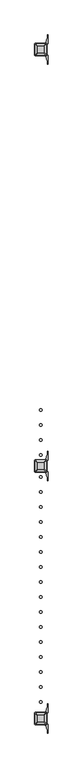
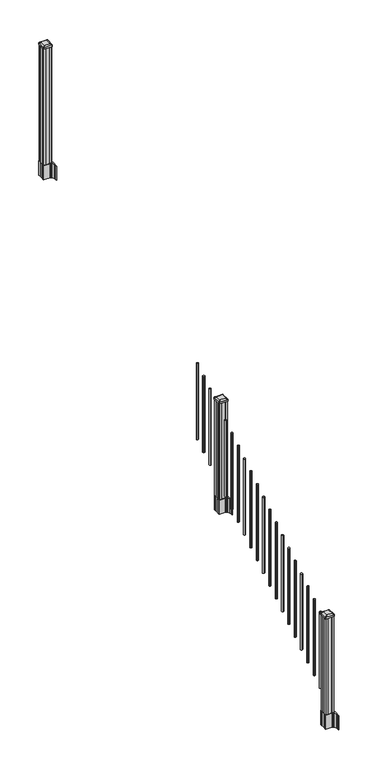
"""IFC4 building model written with IfcOpenShell, lengths in millimetres: railing geometry."""

from ifc_helpers import new_model, si_unit, point, frame, frame_2d, origin, place, context, project, spatial, polyline, circle_curve, trimmed, segment, composite_curve, outline, extrude, source, transform, mapped, element, save
from ifc_brep_helpers import plane_surface, extruded_surface, advanced_brep


def railing_55fab699(model_context):
    return source(origin(), model_context, "Body", "SolidModel", [
        extrude(outline(composite_curve([segment(trimmed(circle_curve(frame_2d((6109.9083284, -20054.6054681)), 9.525), [point((6100.3833284, -20054.6054681))], [point((6109.9083284, -20045.0804681))], False, "CARTESIAN"), True, "CONTINUOUS"), segment(trimmed(circle_curve(frame_2d((6109.9083284, -20054.6054681)), 9.525), [point((6109.9083284, -20045.0804681))], [point((6119.4333284, -20054.6054681))], False, "CARTESIAN"), True, "CONTINUOUS"), segment(trimmed(circle_curve(frame_2d((6109.9083284, -20054.6054681)), 9.525), [point((6119.4333284, -20054.6054681))], [point((6109.9083284, -20064.1304681))], False, "CARTESIAN"), True, "CONTINUOUS"), segment(trimmed(circle_curve(frame_2d((6109.9083284, -20054.6054681)), 9.525), [point((6109.9083284, -20064.1304681))], [point((6100.3833284, -20054.6054681))], False, "CARTESIAN"), True, "CONTINUOUS")], self_intersect=False)), frame((0.0, 0.0, 1695.6046281), z_axis=(0.0, 0.0, 1.0), x_axis=(1.0, 0.0, 0.0)), (0.0, 0.0, 1.0), 812.8041219),
        extrude(outline(composite_curve([segment(trimmed(circle_curve(frame_2d((6109.9083284, -20165.8574681)), 9.525), [point((6100.3833284, -20165.8574681))], [point((6109.9083284, -20156.3324681))], False, "CARTESIAN"), True, "CONTINUOUS"), segment(trimmed(circle_curve(frame_2d((6109.9083284, -20165.8574681)), 9.525), [point((6109.9083284, -20156.3324681))], [point((6119.4333284, -20165.8574681))], False, "CARTESIAN"), True, "CONTINUOUS"), segment(trimmed(circle_curve(frame_2d((6109.9083284, -20165.8574681)), 9.525), [point((6119.4333284, -20165.8574681))], [point((6109.9083284, -20175.3824681))], False, "CARTESIAN"), True, "CONTINUOUS"), segment(trimmed(circle_curve(frame_2d((6109.9083284, -20165.8574681)), 9.525), [point((6109.9083284, -20175.3824681))], [point((6100.3833284, -20165.8574681))], False, "CARTESIAN"), True, "CONTINUOUS")], self_intersect=False)), frame((0.0, 0.0, 1626.0721281), z_axis=(0.0, 0.0, 1.0), x_axis=(1.0, 0.0, 0.0)), (0.0, 0.0, 1.0), 812.8041219),
        extrude(outline(composite_curve([segment(trimmed(circle_curve(frame_2d((6109.9083284, -20277.1094681)), 9.525), [point((6100.3833284, -20277.1094681))], [point((6109.9083284, -20267.5844681))], False, "CARTESIAN"), True, "CONTINUOUS"), segment(trimmed(circle_curve(frame_2d((6109.9083284, -20277.1094681)), 9.525), [point((6109.9083284, -20267.5844681))], [point((6119.4333284, -20277.1094681))], False, "CARTESIAN"), True, "CONTINUOUS"), segment(trimmed(circle_curve(frame_2d((6109.9083284, -20277.1094681)), 9.525), [point((6119.4333284, -20277.1094681))], [point((6109.9083284, -20286.6344681))], False, "CARTESIAN"), True, "CONTINUOUS"), segment(trimmed(circle_curve(frame_2d((6109.9083284, -20277.1094681)), 9.525), [point((6109.9083284, -20286.6344681))], [point((6100.3833284, -20277.1094681))], False, "CARTESIAN"), True, "CONTINUOUS")], self_intersect=False)), frame((0.0, 0.0, 1556.5396281), z_axis=(0.0, 0.0, 1.0), x_axis=(1.0, 0.0, 0.0)), (0.0, 0.0, 1.0), 812.8041219),
        extrude(outline(composite_curve([segment(trimmed(circle_curve(frame_2d((6109.9083284, -20388.3614681)), 9.525), [point((6100.3833284, -20388.3614681))], [point((6109.9083284, -20378.8364681))], False, "CARTESIAN"), True, "CONTINUOUS"), segment(trimmed(circle_curve(frame_2d((6109.9083284, -20388.3614681)), 9.525), [point((6109.9083284, -20378.8364681))], [point((6119.4333284, -20388.3614681))], False, "CARTESIAN"), True, "CONTINUOUS"), segment(trimmed(circle_curve(frame_2d((6109.9083284, -20388.3614681)), 9.525), [point((6119.4333284, -20388.3614681))], [point((6109.9083284, -20397.8864681))], False, "CARTESIAN"), True, "CONTINUOUS"), segment(trimmed(circle_curve(frame_2d((6109.9083284, -20388.3614681)), 9.525), [point((6109.9083284, -20397.8864681))], [point((6100.3833284, -20388.3614681))], False, "CARTESIAN"), True, "CONTINUOUS")], self_intersect=False)), frame((0.0, 0.0, 1487.0071281), z_axis=(0.0, 0.0, 1.0), x_axis=(1.0, 0.0, 0.0)), (0.0, 0.0, 1.0), 812.8041219),
        extrude(outline(composite_curve([segment(polyline([(6067.1728284, -20486.773563), (6067.1728284, -20452.0013732), (6065.5853284, -20451.2393732), (6065.5853284, -20428.4374452), (6068.9583054, -20425.0644681), (6130.4179763, -20425.0644681), (6130.4179763, -20424.1437181), (6135.7355201, -20424.1437181), (6135.7355201, -20422.6894634), (6140.8200498, -20422.6894634), (6140.8200498, -20421.4054396), (6142.4873221, -20421.4054396)]), True, "CONTINUOUS"), segment(trimmed(circle_curve(frame_2d((6142.4873221, -20414.3459797)), 7.0594599), [point((6142.4873221, -20421.4054396))], [point((6149.2545849, -20416.3559864))], True, "CARTESIAN"), True, "CONTINUOUS"), segment(polyline([(6149.2545849, -20416.3559864), (6157.1287792, -20389.8452573)]), True, "CONTINUOUS"), segment(trimmed(circle_curve(frame_2d((6102.3442659, -20373.5732076)), 57.15), [point((6157.1287792, -20389.8452573))], [point((6159.4942659, -20373.5732076))], True, "CARTESIAN"), True, "CONTINUOUS"), segment(polyline([(6159.4942659, -20373.5732076), (6159.4942659, -20361.5644681), (6162.4942659, -20361.5644681), (6162.4942659, -20426.6519681), (6154.2313284, -20437.9902594), (6154.2313284, -20451.2393732), (6152.6438284, -20452.0013732), (6152.6438284, -20486.773563), (6154.2313284, -20487.535563), (6154.2313284, -20500.7846768), (6162.4942659, -20512.1229681), (6162.4942659, -20577.2104681), (6159.4942659, -20577.2104681), (6159.4942659, -20565.2017285)]), True, "CONTINUOUS"), segment(trimmed(circle_curve(frame_2d((6102.3442659, -20565.2017285)), 57.15), [point((6159.4942659, -20565.2017285))], [point((6157.1287792, -20548.9296789))], True, "CARTESIAN"), True, "CONTINUOUS"), segment(polyline([(6157.1287792, -20548.9296789), (6149.2545849, -20522.4189498)]), True, "CONTINUOUS"), segment(trimmed(circle_curve(frame_2d((6142.4873221, -20524.4289565)), 7.0594599), [point((6149.2545849, -20522.4189498))], [point((6142.4873221, -20517.3694966))], True, "CARTESIAN"), True, "CONTINUOUS"), segment(polyline([(6142.4873221, -20517.3694966), (6140.8200498, -20517.3694966), (6140.8200498, -20516.0854728), (6135.7355201, -20516.0854728), (6135.7355201, -20514.6312181), (6130.4179763, -20514.6312181), (6130.4179763, -20513.7104681), (6068.9583054, -20513.7104681), (6065.5853284, -20510.337491), (6065.5853284, -20487.535563), (6067.1728284, -20486.773563)]), True, "CONTINUOUS")], self_intersect=False), holes=[polyline([(6151.1833284, -20429.6999681), (6149.5958284, -20428.1124681), (6112.6715458, -20428.1124681), (6070.2208284, -20428.1124681), (6068.6333284, -20429.6999681), (6068.6333284, -20509.0749681), (6070.2208284, -20510.6624681), (6112.6715458, -20510.6624681), (6149.5958284, -20510.6624681), (6151.1833284, -20509.0749681), (6151.1833284, -20429.6999681)])]), frame((0.0, 0.0, 1182.37), z_axis=(0.0, 0.0, 1.0), x_axis=(1.0, 0.0, 0.0)), (0.0, 0.0, 1.0), 152.4),
        advanced_brep(
        [(6135.7052034, -20498.3593431, 2394.709263), (6138.8802034, -20495.1843431, 2394.709263), (6138.8802034, -20443.5905931, 2394.709263), (6135.7052034, -20440.4155931, 2394.709263), (6084.1114534, -20440.4155931, 2394.709263), (6080.9364534, -20443.5905931, 2394.709263), (6080.9364534, -20495.1843431, 2394.709263), (6084.1114534, -20498.3593431, 2394.709263), (6151.9770784, -20514.6312181, 2383.406263), (6067.8395784, -20514.6312181, 2383.406263), (6064.6645784, -20511.4562181, 2383.406263), (6064.6645784, -20427.3187181, 2383.406263), (6067.8395784, -20424.1437181, 2383.406263), (6151.9770784, -20424.1437181, 2383.406263), (6155.1520784, -20427.3187181, 2383.406263), (6155.1520784, -20511.4562181, 2383.406263)],
        [
            (0, 1, circle_curve(frame((6135.7052034, -20495.1843431, 2394.709263), z_axis=(0.0, 0.0, 1.0), x_axis=(0.0, 1.0, 0.0)), 3.175)),
            (1, 2),
            (2, 3, circle_curve(frame((6135.7052034, -20443.5905931, 2394.709263), z_axis=(0.0, 0.0, 1.0), x_axis=(0.0, 1.0, 0.0)), 3.175)),
            (3, 4),
            (4, 5, circle_curve(frame((6084.1114534, -20443.5905931, 2394.709263), z_axis=(0.0, 0.0, 1.0), x_axis=(0.0, 1.0, 0.0)), 3.175)),
            (5, 6),
            (6, 7, circle_curve(frame((6084.1114534, -20495.1843431, 2394.709263), z_axis=(0.0, 0.0, 1.0), x_axis=(0.0, 1.0, 0.0)), 3.175)),
            (7, 0),
            (8, 9),
            (9, 10, circle_curve(frame((6067.8395784, -20511.4562181, 2383.406263), z_axis=(0.0, 0.0, -1.0), x_axis=(0.0, 1.0, 0.0)), 3.175)),
            (10, 11),
            (11, 12, circle_curve(frame((6067.8395784, -20427.3187181, 2383.406263), z_axis=(0.0, 0.0, -1.0), x_axis=(0.0, 1.0, 0.0)), 3.175)),
            (12, 13),
            (13, 14, circle_curve(frame((6151.9770784, -20427.3187181, 2383.406263), z_axis=(0.0, 0.0, -1.0), x_axis=(0.0, 1.0, 0.0)), 3.175)),
            (14, 15),
            (15, 8, circle_curve(frame((6151.9770784, -20511.4562181, 2383.406263), z_axis=(0.0, 0.0, -1.0), x_axis=(0.0, 1.0, 0.0)), 3.175)),
            (15, 1),
            (0, 8),
            (14, 2),
            (13, 3),
            (12, 4),
            (11, 5),
            (10, 6),
            (9, 7),
        ],
        [
            plane_surface(frame((6109.9083284, -20469.3874681, 2394.709263), z_axis=(0.0, 0.0, 1.0), x_axis=(1.0, 0.0, 0.0))),
            plane_surface(frame((6109.9083284, -20469.3874681, 2383.406263), z_axis=(0.0, 0.0, -1.0), x_axis=(1.0, 0.0, 0.0))),
            extruded_surface(trimmed(circle_curve(frame((6151.9770784, -20511.4562181, 2383.406263), z_axis=(0.0, 0.0, 1.0), x_axis=(0.0, 1.0, 0.0)), 3.175), [point((6151.9770784, -20514.6312181, 2383.406263))], [point((6155.1520784, -20511.4562181, 2383.406263))], True, "CARTESIAN"), (-16.271875000000364, 16.271874999998545, 11.303000000000338), 25.63797263886562),
            plane_surface(frame((6155.1520784, -20469.3874681, 2383.406263), z_axis=(0.5705009161540778, 0.0, 0.8212969649690408), x_axis=(0.0, 1.0, 0.0))),
            extruded_surface(trimmed(circle_curve(frame((6151.9770784, -20427.3187181, 2383.406263), z_axis=(0.0, 0.0, 1.0), x_axis=(0.0, 1.0, 0.0)), 3.175), [point((6155.1520784, -20427.3187181, 2383.406263))], [point((6151.9770784, -20424.1437181, 2383.406263))], True, "CARTESIAN"), (-16.271875000000364, -16.271875000002183, 11.303000000000338), 25.63797263886793),
            plane_surface(frame((6109.9083284, -20424.1437181, 2383.406263), z_axis=(0.0, 0.5705009161540291, 0.8212969649690747), x_axis=(-1.0, 0.0, 0.0))),
            extruded_surface(trimmed(circle_curve(frame((6067.8395784, -20427.3187181, 2383.406263), z_axis=(0.0, 0.0, 1.0), x_axis=(0.0, 1.0, 0.0)), 3.175), [point((6067.8395784, -20424.1437181, 2383.406263))], [point((6064.6645784, -20427.3187181, 2383.406263))], True, "CARTESIAN"), (16.271874999999454, -16.271875000002183, 11.303000000000338), 25.637972638867353),
            plane_surface(frame((6064.6645784, -20469.3874681, 2383.406263), z_axis=(-0.5705009161540142, 0.0, 0.8212969649690851), x_axis=(0.0, -1.0, 0.0))),
            extruded_surface(trimmed(circle_curve(frame((6067.8395784, -20511.4562181, 2383.406263), z_axis=(0.0, 0.0, 1.0), x_axis=(0.0, 1.0, 0.0)), 3.175), [point((6064.6645784, -20511.4562181, 2383.406263))], [point((6067.8395784, -20514.6312181, 2383.406263))], True, "CARTESIAN"), (16.271874999999454, 16.271874999998545, 11.303000000000338), 25.63797263886504),
            plane_surface(frame((6109.9083284, -20514.6312181, 2383.406263), z_axis=(0.0, -0.570500916154034, 0.8212969649690713), x_axis=(1.0, 0.0, 0.0))),
        ],
        [
            (0, [[1, 2, 3, 4, 5, 6, 7, 8]]),
            (1, [[9, 10, 11, 12, 13, 14, 15, 16]]),
            (2, [[-16, 17, -1, 18]]),
            (3, [[-15, 19, -2, -17]]),
            (4, [[-14, 20, -3, -19]]),
            (5, [[-13, 21, -4, -20]]),
            (6, [[-12, 22, -5, -21]]),
            (7, [[-11, 23, -6, -22]]),
            (8, [[-10, 24, -7, -23]]),
            (9, [[-9, -18, -8, -24]]),
        ],
    ),
        extrude(outline(composite_curve([segment(polyline([(6151.9770784, -20514.6312181), (6067.8395784, -20514.6312181)]), True, "CONTINUOUS"), segment(trimmed(circle_curve(frame_2d((6067.8395784, -20511.4562181)), 3.175), [point((6067.8395784, -20514.6312181))], [point((6064.6645784, -20511.4562181))], False, "CARTESIAN"), True, "CONTINUOUS"), segment(polyline([(6064.6645784, -20511.4562181), (6064.6645784, -20427.3187181)]), True, "CONTINUOUS"), segment(trimmed(circle_curve(frame_2d((6067.8395784, -20427.3187181)), 3.175), [point((6064.6645784, -20427.3187181))], [point((6067.8395784, -20424.1437181))], False, "CARTESIAN"), True, "CONTINUOUS"), segment(polyline([(6067.8395784, -20424.1437181), (6151.9770784, -20424.1437181)]), True, "CONTINUOUS"), segment(trimmed(circle_curve(frame_2d((6151.9770784, -20427.3187181)), 3.175), [point((6151.9770784, -20424.1437181))], [point((6155.1520784, -20427.3187181))], False, "CARTESIAN"), True, "CONTINUOUS"), segment(polyline([(6155.1520784, -20427.3187181), (6155.1520784, -20511.4562181)]), True, "CONTINUOUS"), segment(trimmed(circle_curve(frame_2d((6151.9770784, -20511.4562181)), 3.175), [point((6155.1520784, -20511.4562181))], [point((6151.9770784, -20514.6312181))], False, "CARTESIAN"), True, "CONTINUOUS")], self_intersect=False)), frame((0.0, 0.0, 2366.134263), z_axis=(0.0, 0.0, 1.0), x_axis=(1.0, 0.0, 0.0)), (0.0, 0.0, 1.0), 17.272),
        extrude(outline(polyline([(6149.5958284, -20510.6624681), (6129.9743284, -20510.6624681), (6129.2123284, -20509.0749681), (6090.6043284, -20509.0749681), (6089.8423284, -20510.6624681), (6070.2208284, -20510.6624681), (6068.6333284, -20509.0749681), (6068.6333284, -20489.4534681), (6070.2208284, -20488.6914681), (6070.2208284, -20450.0834681), (6068.6333284, -20449.3214681), (6068.6333284, -20429.6999681), (6070.2208284, -20428.1124681), (6089.8423284, -20428.1124681), (6090.6043284, -20429.6999681), (6129.2123284, -20429.6999681), (6129.9743284, -20428.1124681), (6149.5958284, -20428.1124681), (6151.1833284, -20429.6999681), (6151.1833284, -20449.3214681), (6149.5958284, -20450.0834681), (6149.5958284, -20488.6914681), (6151.1833284, -20489.4534681), (6151.1833284, -20509.0749681), (6149.5958284, -20510.6624681)])), frame((0.0, 0.0, 1334.77), z_axis=(0.0, 0.0, 1.0), x_axis=(1.0, 0.0, 0.0)), (0.0, 0.0, 1.0), 1031.364263),
        extrude(outline(composite_curve([segment(trimmed(circle_curve(frame_2d((6109.9083284, -20550.4134681)), 9.525), [point((6100.3833284, -20550.4134681))], [point((6109.9083284, -20540.8884681))], False, "CARTESIAN"), True, "CONTINUOUS"), segment(trimmed(circle_curve(frame_2d((6109.9083284, -20550.4134681)), 9.525), [point((6109.9083284, -20540.8884681))], [point((6119.4333284, -20550.4134681))], False, "CARTESIAN"), True, "CONTINUOUS"), segment(trimmed(circle_curve(frame_2d((6109.9083284, -20550.4134681)), 9.525), [point((6119.4333284, -20550.4134681))], [point((6109.9083284, -20559.9384681))], False, "CARTESIAN"), True, "CONTINUOUS"), segment(trimmed(circle_curve(frame_2d((6109.9083284, -20550.4134681)), 9.525), [point((6109.9083284, -20559.9384681))], [point((6100.3833284, -20550.4134681))], False, "CARTESIAN"), True, "CONTINUOUS")], self_intersect=False)), frame((0.0, 0.0, 1385.7246281), z_axis=(0.0, 0.0, 1.0), x_axis=(1.0, 0.0, 0.0)), (0.0, 0.0, 1.0), 812.8041219),
        extrude(outline(composite_curve([segment(trimmed(circle_curve(frame_2d((6109.9083284, -20661.6654681)), 9.525), [point((6100.3833284, -20661.6654681))], [point((6109.9083284, -20652.1404681))], False, "CARTESIAN"), True, "CONTINUOUS"), segment(trimmed(circle_curve(frame_2d((6109.9083284, -20661.6654681)), 9.525), [point((6109.9083284, -20652.1404681))], [point((6119.4333284, -20661.6654681))], False, "CARTESIAN"), True, "CONTINUOUS"), segment(trimmed(circle_curve(frame_2d((6109.9083284, -20661.6654681)), 9.525), [point((6119.4333284, -20661.6654681))], [point((6109.9083284, -20671.1904681))], False, "CARTESIAN"), True, "CONTINUOUS"), segment(trimmed(circle_curve(frame_2d((6109.9083284, -20661.6654681)), 9.525), [point((6109.9083284, -20671.1904681))], [point((6100.3833284, -20661.6654681))], False, "CARTESIAN"), True, "CONTINUOUS")], self_intersect=False)), frame((0.0, 0.0, 1316.1921281), z_axis=(0.0, 0.0, 1.0), x_axis=(1.0, 0.0, 0.0)), (0.0, 0.0, 1.0), 812.8041219),
        extrude(outline(composite_curve([segment(trimmed(circle_curve(frame_2d((6109.9083284, -20772.9174681)), 9.525), [point((6100.3833284, -20772.9174681))], [point((6109.9083284, -20763.3924681))], False, "CARTESIAN"), True, "CONTINUOUS"), segment(trimmed(circle_curve(frame_2d((6109.9083284, -20772.9174681)), 9.525), [point((6109.9083284, -20763.3924681))], [point((6119.4333284, -20772.9174681))], False, "CARTESIAN"), True, "CONTINUOUS"), segment(trimmed(circle_curve(frame_2d((6109.9083284, -20772.9174681)), 9.525), [point((6119.4333284, -20772.9174681))], [point((6109.9083284, -20782.4424681))], False, "CARTESIAN"), True, "CONTINUOUS"), segment(trimmed(circle_curve(frame_2d((6109.9083284, -20772.9174681)), 9.525), [point((6109.9083284, -20782.4424681))], [point((6100.3833284, -20772.9174681))], False, "CARTESIAN"), True, "CONTINUOUS")], self_intersect=False)), frame((0.0, 0.0, 1246.6596281), z_axis=(0.0, 0.0, 1.0), x_axis=(1.0, 0.0, 0.0)), (0.0, 0.0, 1.0), 812.8041219),
        extrude(outline(composite_curve([segment(trimmed(circle_curve(frame_2d((6109.9083284, -20884.1694681)), 9.525), [point((6100.3833284, -20884.1694681))], [point((6109.9083284, -20874.6444681))], False, "CARTESIAN"), True, "CONTINUOUS"), segment(trimmed(circle_curve(frame_2d((6109.9083284, -20884.1694681)), 9.525), [point((6109.9083284, -20874.6444681))], [point((6119.4333284, -20884.1694681))], False, "CARTESIAN"), True, "CONTINUOUS"), segment(trimmed(circle_curve(frame_2d((6109.9083284, -20884.1694681)), 9.525), [point((6119.4333284, -20884.1694681))], [point((6109.9083284, -20893.6944681))], False, "CARTESIAN"), True, "CONTINUOUS"), segment(trimmed(circle_curve(frame_2d((6109.9083284, -20884.1694681)), 9.525), [point((6109.9083284, -20893.6944681))], [point((6100.3833284, -20884.1694681))], False, "CARTESIAN"), True, "CONTINUOUS")], self_intersect=False)), frame((0.0, 0.0, 1177.1271281), z_axis=(0.0, 0.0, 1.0), x_axis=(1.0, 0.0, 0.0)), (0.0, 0.0, 1.0), 812.8041219),
        extrude(outline(composite_curve([segment(trimmed(circle_curve(frame_2d((6109.9083284, -20995.4214681)), 9.525), [point((6100.3833284, -20995.4214681))], [point((6109.9083284, -20985.8964681))], False, "CARTESIAN"), True, "CONTINUOUS"), segment(trimmed(circle_curve(frame_2d((6109.9083284, -20995.4214681)), 9.525), [point((6109.9083284, -20985.8964681))], [point((6119.4333284, -20995.4214681))], False, "CARTESIAN"), True, "CONTINUOUS"), segment(trimmed(circle_curve(frame_2d((6109.9083284, -20995.4214681)), 9.525), [point((6119.4333284, -20995.4214681))], [point((6109.9083284, -21004.9464681))], False, "CARTESIAN"), True, "CONTINUOUS"), segment(trimmed(circle_curve(frame_2d((6109.9083284, -20995.4214681)), 9.525), [point((6109.9083284, -21004.9464681))], [point((6100.3833284, -20995.4214681))], False, "CARTESIAN"), True, "CONTINUOUS")], self_intersect=False)), frame((0.0, 0.0, 1107.5946281), z_axis=(0.0, 0.0, 1.0), x_axis=(1.0, 0.0, 0.0)), (0.0, 0.0, 1.0), 812.8041219),
        extrude(outline(composite_curve([segment(trimmed(circle_curve(frame_2d((6109.9083284, -21106.6734681)), 9.525), [point((6100.3833284, -21106.6734681))], [point((6109.9083284, -21097.1484681))], False, "CARTESIAN"), True, "CONTINUOUS"), segment(trimmed(circle_curve(frame_2d((6109.9083284, -21106.6734681)), 9.525), [point((6109.9083284, -21097.1484681))], [point((6119.4333284, -21106.6734681))], False, "CARTESIAN"), True, "CONTINUOUS"), segment(trimmed(circle_curve(frame_2d((6109.9083284, -21106.6734681)), 9.525), [point((6119.4333284, -21106.6734681))], [point((6109.9083284, -21116.1984681))], False, "CARTESIAN"), True, "CONTINUOUS"), segment(trimmed(circle_curve(frame_2d((6109.9083284, -21106.6734681)), 9.525), [point((6109.9083284, -21116.1984681))], [point((6100.3833284, -21106.6734681))], False, "CARTESIAN"), True, "CONTINUOUS")], self_intersect=False)), frame((0.0, 0.0, 1038.0621281), z_axis=(0.0, 0.0, 1.0), x_axis=(1.0, 0.0, 0.0)), (0.0, 0.0, 1.0), 812.8041219),
        extrude(outline(composite_curve([segment(trimmed(circle_curve(frame_2d((6109.9083284, -21217.9254681)), 9.525), [point((6100.3833284, -21217.9254681))], [point((6109.9083284, -21208.4004681))], False, "CARTESIAN"), True, "CONTINUOUS"), segment(trimmed(circle_curve(frame_2d((6109.9083284, -21217.9254681)), 9.525), [point((6109.9083284, -21208.4004681))], [point((6119.4333284, -21217.9254681))], False, "CARTESIAN"), True, "CONTINUOUS"), segment(trimmed(circle_curve(frame_2d((6109.9083284, -21217.9254681)), 9.525), [point((6119.4333284, -21217.9254681))], [point((6109.9083284, -21227.4504681))], False, "CARTESIAN"), True, "CONTINUOUS"), segment(trimmed(circle_curve(frame_2d((6109.9083284, -21217.9254681)), 9.525), [point((6109.9083284, -21227.4504681))], [point((6100.3833284, -21217.9254681))], False, "CARTESIAN"), True, "CONTINUOUS")], self_intersect=False)), frame((0.0, 0.0, 968.5296281), z_axis=(0.0, 0.0, 1.0), x_axis=(1.0, 0.0, 0.0)), (0.0, 0.0, 1.0), 812.8041219),
        extrude(outline(composite_curve([segment(trimmed(circle_curve(frame_2d((6109.9083284, -21329.1774681)), 9.525), [point((6100.3833284, -21329.1774681))], [point((6109.9083284, -21319.6524681))], False, "CARTESIAN"), True, "CONTINUOUS"), segment(trimmed(circle_curve(frame_2d((6109.9083284, -21329.1774681)), 9.525), [point((6109.9083284, -21319.6524681))], [point((6119.4333284, -21329.1774681))], False, "CARTESIAN"), True, "CONTINUOUS"), segment(trimmed(circle_curve(frame_2d((6109.9083284, -21329.1774681)), 9.525), [point((6119.4333284, -21329.1774681))], [point((6109.9083284, -21338.7024681))], False, "CARTESIAN"), True, "CONTINUOUS"), segment(trimmed(circle_curve(frame_2d((6109.9083284, -21329.1774681)), 9.525), [point((6109.9083284, -21338.7024681))], [point((6100.3833284, -21329.1774681))], False, "CARTESIAN"), True, "CONTINUOUS")], self_intersect=False)), frame((0.0, 0.0, 898.9971281), z_axis=(0.0, 0.0, 1.0), x_axis=(1.0, 0.0, 0.0)), (0.0, 0.0, 1.0), 812.8041219),
        extrude(outline(composite_curve([segment(trimmed(circle_curve(frame_2d((6109.9083284, -21440.4294681)), 9.525), [point((6100.3833284, -21440.4294681))], [point((6109.9083284, -21430.9044681))], False, "CARTESIAN"), True, "CONTINUOUS"), segment(trimmed(circle_curve(frame_2d((6109.9083284, -21440.4294681)), 9.525), [point((6109.9083284, -21430.9044681))], [point((6119.4333284, -21440.4294681))], False, "CARTESIAN"), True, "CONTINUOUS"), segment(trimmed(circle_curve(frame_2d((6109.9083284, -21440.4294681)), 9.525), [point((6119.4333284, -21440.4294681))], [point((6109.9083284, -21449.9544681))], False, "CARTESIAN"), True, "CONTINUOUS"), segment(trimmed(circle_curve(frame_2d((6109.9083284, -21440.4294681)), 9.525), [point((6109.9083284, -21449.9544681))], [point((6100.3833284, -21440.4294681))], False, "CARTESIAN"), True, "CONTINUOUS")], self_intersect=False)), frame((0.0, 0.0, 829.4646281), z_axis=(0.0, 0.0, 1.0), x_axis=(1.0, 0.0, 0.0)), (0.0, 0.0, 1.0), 812.8041219),
        extrude(outline(composite_curve([segment(trimmed(circle_curve(frame_2d((6109.9083284, -21551.6814681)), 9.525), [point((6100.3833284, -21551.6814681))], [point((6109.9083284, -21542.1564681))], False, "CARTESIAN"), True, "CONTINUOUS"), segment(trimmed(circle_curve(frame_2d((6109.9083284, -21551.6814681)), 9.525), [point((6109.9083284, -21542.1564681))], [point((6119.4333284, -21551.6814681))], False, "CARTESIAN"), True, "CONTINUOUS"), segment(trimmed(circle_curve(frame_2d((6109.9083284, -21551.6814681)), 9.525), [point((6119.4333284, -21551.6814681))], [point((6109.9083284, -21561.2064681))], False, "CARTESIAN"), True, "CONTINUOUS"), segment(trimmed(circle_curve(frame_2d((6109.9083284, -21551.6814681)), 9.525), [point((6109.9083284, -21561.2064681))], [point((6100.3833284, -21551.6814681))], False, "CARTESIAN"), True, "CONTINUOUS")], self_intersect=False)), frame((0.0, 0.0, 759.9321281), z_axis=(0.0, 0.0, 1.0), x_axis=(1.0, 0.0, 0.0)), (0.0, 0.0, 1.0), 812.8041219),
        extrude(outline(composite_curve([segment(trimmed(circle_curve(frame_2d((6109.9083284, -21662.9334681)), 9.525), [point((6100.3833284, -21662.9334681))], [point((6109.9083284, -21653.4084681))], False, "CARTESIAN"), True, "CONTINUOUS"), segment(trimmed(circle_curve(frame_2d((6109.9083284, -21662.9334681)), 9.525), [point((6109.9083284, -21653.4084681))], [point((6119.4333284, -21662.9334681))], False, "CARTESIAN"), True, "CONTINUOUS"), segment(trimmed(circle_curve(frame_2d((6109.9083284, -21662.9334681)), 9.525), [point((6119.4333284, -21662.9334681))], [point((6109.9083284, -21672.4584681))], False, "CARTESIAN"), True, "CONTINUOUS"), segment(trimmed(circle_curve(frame_2d((6109.9083284, -21662.9334681)), 9.525), [point((6109.9083284, -21672.4584681))], [point((6100.3833284, -21662.9334681))], False, "CARTESIAN"), True, "CONTINUOUS")], self_intersect=False)), frame((0.0, 0.0, 690.3996281), z_axis=(0.0, 0.0, 1.0), x_axis=(1.0, 0.0, 0.0)), (0.0, 0.0, 1.0), 812.8041219),
        extrude(outline(composite_curve([segment(trimmed(circle_curve(frame_2d((6109.9083284, -21774.1854681)), 9.525), [point((6100.3833284, -21774.1854681))], [point((6109.9083284, -21764.6604681))], False, "CARTESIAN"), True, "CONTINUOUS"), segment(trimmed(circle_curve(frame_2d((6109.9083284, -21774.1854681)), 9.525), [point((6109.9083284, -21764.6604681))], [point((6119.4333284, -21774.1854681))], False, "CARTESIAN"), True, "CONTINUOUS"), segment(trimmed(circle_curve(frame_2d((6109.9083284, -21774.1854681)), 9.525), [point((6119.4333284, -21774.1854681))], [point((6109.9083284, -21783.7104681))], False, "CARTESIAN"), True, "CONTINUOUS"), segment(trimmed(circle_curve(frame_2d((6109.9083284, -21774.1854681)), 9.525), [point((6109.9083284, -21783.7104681))], [point((6100.3833284, -21774.1854681))], False, "CARTESIAN"), True, "CONTINUOUS")], self_intersect=False)), frame((0.0, 0.0, 620.8671281), z_axis=(0.0, 0.0, 1.0), x_axis=(1.0, 0.0, 0.0)), (0.0, 0.0, 1.0), 812.8041219),
        extrude(outline(composite_curve([segment(trimmed(circle_curve(frame_2d((6109.9083284, -21885.4374681)), 9.525), [point((6100.3833284, -21885.4374681))], [point((6109.9083284, -21875.9124681))], False, "CARTESIAN"), True, "CONTINUOUS"), segment(trimmed(circle_curve(frame_2d((6109.9083284, -21885.4374681)), 9.525), [point((6109.9083284, -21875.9124681))], [point((6119.4333284, -21885.4374681))], False, "CARTESIAN"), True, "CONTINUOUS"), segment(trimmed(circle_curve(frame_2d((6109.9083284, -21885.4374681)), 9.525), [point((6119.4333284, -21885.4374681))], [point((6109.9083284, -21894.9624681))], False, "CARTESIAN"), True, "CONTINUOUS"), segment(trimmed(circle_curve(frame_2d((6109.9083284, -21885.4374681)), 9.525), [point((6109.9083284, -21894.9624681))], [point((6100.3833284, -21885.4374681))], False, "CARTESIAN"), True, "CONTINUOUS")], self_intersect=False)), frame((0.0, 0.0, 551.3346281), z_axis=(0.0, 0.0, 1.0), x_axis=(1.0, 0.0, 0.0)), (0.0, 0.0, 1.0), 812.8041219),
        extrude(outline(composite_curve([segment(trimmed(circle_curve(frame_2d((6109.9083284, -21996.6894681)), 9.525), [point((6100.3833284, -21996.6894681))], [point((6109.9083284, -21987.1644681))], False, "CARTESIAN"), True, "CONTINUOUS"), segment(trimmed(circle_curve(frame_2d((6109.9083284, -21996.6894681)), 9.525), [point((6109.9083284, -21987.1644681))], [point((6119.4333284, -21996.6894681))], False, "CARTESIAN"), True, "CONTINUOUS"), segment(trimmed(circle_curve(frame_2d((6109.9083284, -21996.6894681)), 9.525), [point((6119.4333284, -21996.6894681))], [point((6109.9083284, -22006.2144681))], False, "CARTESIAN"), True, "CONTINUOUS"), segment(trimmed(circle_curve(frame_2d((6109.9083284, -21996.6894681)), 9.525), [point((6109.9083284, -22006.2144681))], [point((6100.3833284, -21996.6894681))], False, "CARTESIAN"), True, "CONTINUOUS")], self_intersect=False)), frame((0.0, 0.0, 481.8021281), z_axis=(0.0, 0.0, 1.0), x_axis=(1.0, 0.0, 0.0)), (0.0, 0.0, 1.0), 812.8041219),
        extrude(outline(composite_curve([segment(trimmed(circle_curve(frame_2d((6109.9083284, -22107.9414681)), 9.525), [point((6100.3833284, -22107.9414681))], [point((6109.9083284, -22098.4164681))], False, "CARTESIAN"), True, "CONTINUOUS"), segment(trimmed(circle_curve(frame_2d((6109.9083284, -22107.9414681)), 9.525), [point((6109.9083284, -22098.4164681))], [point((6119.4333284, -22107.9414681))], False, "CARTESIAN"), True, "CONTINUOUS"), segment(trimmed(circle_curve(frame_2d((6109.9083284, -22107.9414681)), 9.525), [point((6119.4333284, -22107.9414681))], [point((6109.9083284, -22117.4664681))], False, "CARTESIAN"), True, "CONTINUOUS"), segment(trimmed(circle_curve(frame_2d((6109.9083284, -22107.9414681)), 9.525), [point((6109.9083284, -22117.4664681))], [point((6100.3833284, -22107.9414681))], False, "CARTESIAN"), True, "CONTINUOUS")], self_intersect=False)), frame((0.0, 0.0, 412.2696281), z_axis=(0.0, 0.0, 1.0), x_axis=(1.0, 0.0, 0.0)), (0.0, 0.0, 1.0), 812.8041219),
        extrude(outline(composite_curve([segment(trimmed(circle_curve(frame_2d((6109.9083284, -22219.1934681)), 9.525), [point((6100.3833284, -22219.1934681))], [point((6109.9083284, -22209.6684681))], False, "CARTESIAN"), True, "CONTINUOUS"), segment(trimmed(circle_curve(frame_2d((6109.9083284, -22219.1934681)), 9.525), [point((6109.9083284, -22209.6684681))], [point((6119.4333284, -22219.1934681))], False, "CARTESIAN"), True, "CONTINUOUS"), segment(trimmed(circle_curve(frame_2d((6109.9083284, -22219.1934681)), 9.525), [point((6119.4333284, -22219.1934681))], [point((6109.9083284, -22228.7184681))], False, "CARTESIAN"), True, "CONTINUOUS"), segment(trimmed(circle_curve(frame_2d((6109.9083284, -22219.1934681)), 9.525), [point((6109.9083284, -22228.7184681))], [point((6100.3833284, -22219.1934681))], False, "CARTESIAN"), True, "CONTINUOUS")], self_intersect=False)), frame((0.0, 0.0, 342.7371281), z_axis=(0.0, 0.0, 1.0), x_axis=(1.0, 0.0, 0.0)), (0.0, 0.0, 1.0), 812.8041219),
        extrude(outline(polyline([(6149.5958284, -17423.2924681), (6129.9743284, -17423.2924681), (6129.2123284, -17421.7049681), (6090.6043284, -17421.7049681), (6089.8423284, -17423.2924681), (6070.2208284, -17423.2924681), (6068.6333284, -17421.7049681), (6068.6333284, -17402.0834681), (6070.2208284, -17401.3214681), (6070.2208284, -17362.7134681), (6068.6333284, -17361.9514681), (6068.6333284, -17342.3299681), (6070.2208284, -17340.7424681), (6089.8423284, -17340.7424681), (6090.6043284, -17342.3299681), (6129.2123284, -17342.3299681), (6129.9743284, -17340.7424681), (6149.5958284, -17340.7424681), (6151.1833284, -17342.3299681), (6151.1833284, -17361.9514681), (6149.5958284, -17362.7134681), (6149.5958284, -17401.3214681), (6151.1833284, -17402.0834681), (6151.1833284, -17421.7049681), (6149.5958284, -17423.2924681)])), frame((0.0, 0.0, 3048.0), z_axis=(0.0, 0.0, 1.0), x_axis=(1.0, 0.0, 0.0)), (0.0, 0.0, 1.0), 1247.740513),
        extrude(outline(composite_curve([segment(polyline([(6067.1728284, -17399.403563), (6067.1728284, -17364.6313732), (6065.5853284, -17363.8693732), (6065.5853284, -17341.0674452), (6068.9583054, -17337.6944681), (6130.4179763, -17337.6944681), (6130.4179763, -17336.7737181), (6135.7355201, -17336.7737181), (6135.7355201, -17335.3194634), (6140.8200498, -17335.3194634), (6140.8200498, -17334.0354396), (6142.4873221, -17334.0354396)]), True, "CONTINUOUS"), segment(trimmed(circle_curve(frame_2d((6142.4873221, -17326.9759797)), 7.0594599), [point((6142.4873221, -17334.0354396))], [point((6149.2545849, -17328.9859864))], True, "CARTESIAN"), True, "CONTINUOUS"), segment(polyline([(6149.2545849, -17328.9859864), (6157.1287792, -17302.4752573)]), True, "CONTINUOUS"), segment(trimmed(circle_curve(frame_2d((6102.3442659, -17286.2032076)), 57.15), [point((6157.1287792, -17302.4752573))], [point((6159.4942659, -17286.2032076))], True, "CARTESIAN"), True, "CONTINUOUS"), segment(polyline([(6159.4942659, -17286.2032076), (6159.4942659, -17274.1944681), (6162.4942659, -17274.1944681), (6162.4942659, -17339.2819681), (6154.2313284, -17350.6202594), (6154.2313284, -17363.8693732), (6152.6438284, -17364.6313732), (6152.6438284, -17399.403563), (6154.2313284, -17400.165563), (6154.2313284, -17413.4146768), (6162.4942659, -17424.7529681), (6162.4942659, -17489.8404681), (6159.4942659, -17489.8404681), (6159.4942659, -17477.8317285)]), True, "CONTINUOUS"), segment(trimmed(circle_curve(frame_2d((6102.3442659, -17477.8317285)), 57.15), [point((6159.4942659, -17477.8317285))], [point((6157.1287792, -17461.5596789))], True, "CARTESIAN"), True, "CONTINUOUS"), segment(polyline([(6157.1287792, -17461.5596789), (6149.2545849, -17435.0489498)]), True, "CONTINUOUS"), segment(trimmed(circle_curve(frame_2d((6142.4873221, -17437.0589565)), 7.0594599), [point((6149.2545849, -17435.0489498))], [point((6142.4873221, -17429.9994966))], True, "CARTESIAN"), True, "CONTINUOUS"), segment(polyline([(6142.4873221, -17429.9994966), (6140.8200498, -17429.9994966), (6140.8200498, -17428.7154728), (6135.7355201, -17428.7154728), (6135.7355201, -17427.2612181), (6130.4179763, -17427.2612181), (6130.4179763, -17426.3404681), (6068.9583054, -17426.3404681), (6065.5853284, -17422.967491), (6065.5853284, -17400.165563), (6067.1728284, -17399.403563)]), True, "CONTINUOUS")], self_intersect=False), holes=[polyline([(6151.1833284, -17342.3299681), (6149.5958284, -17340.7424681), (6112.6715458, -17340.7424681), (6070.2208284, -17340.7424681), (6068.6333284, -17342.3299681), (6068.6333284, -17421.7049681), (6070.2208284, -17423.2924681), (6112.6715458, -17423.2924681), (6149.5958284, -17423.2924681), (6151.1833284, -17421.7049681), (6151.1833284, -17342.3299681)])]), frame((0.0, 0.0, 2895.6), z_axis=(0.0, 0.0, 1.0), x_axis=(1.0, 0.0, 0.0)), (0.0, 0.0, 1.0), 152.4),
        advanced_brep(
        [(6135.7052034, -17410.9893431, 4324.315513), (6138.8802034, -17407.8143431, 4324.315513), (6138.8802034, -17356.2205931, 4324.315513), (6135.7052034, -17353.0455931, 4324.315513), (6084.1114534, -17353.0455931, 4324.315513), (6080.9364534, -17356.2205931, 4324.315513), (6080.9364534, -17407.8143431, 4324.315513), (6084.1114534, -17410.9893431, 4324.315513), (6151.9770784, -17427.2612181, 4313.012513), (6067.8395784, -17427.2612181, 4313.012513), (6064.6645784, -17424.0862181, 4313.012513), (6064.6645784, -17339.9487181, 4313.012513), (6067.8395784, -17336.7737181, 4313.012513), (6151.9770784, -17336.7737181, 4313.012513), (6155.1520784, -17339.9487181, 4313.012513), (6155.1520784, -17424.0862181, 4313.012513)],
        [
            (0, 1, circle_curve(frame((6135.7052034, -17407.8143431, 4324.315513), z_axis=(0.0, 0.0, 1.0), x_axis=(0.0, 1.0, 0.0)), 3.175)),
            (1, 2),
            (2, 3, circle_curve(frame((6135.7052034, -17356.2205931, 4324.315513), z_axis=(0.0, 0.0, 1.0), x_axis=(0.0, 1.0, 0.0)), 3.175)),
            (3, 4),
            (4, 5, circle_curve(frame((6084.1114534, -17356.2205931, 4324.315513), z_axis=(0.0, 0.0, 1.0), x_axis=(0.0, 1.0, 0.0)), 3.175)),
            (5, 6),
            (6, 7, circle_curve(frame((6084.1114534, -17407.8143431, 4324.315513), z_axis=(0.0, 0.0, 1.0), x_axis=(0.0, 1.0, 0.0)), 3.175)),
            (7, 0),
            (8, 9),
            (9, 10, circle_curve(frame((6067.8395784, -17424.0862181, 4313.012513), z_axis=(0.0, 0.0, -1.0), x_axis=(0.0, 1.0, 0.0)), 3.175)),
            (10, 11),
            (11, 12, circle_curve(frame((6067.8395784, -17339.9487181, 4313.012513), z_axis=(0.0, 0.0, -1.0), x_axis=(0.0, 1.0, 0.0)), 3.175)),
            (12, 13),
            (13, 14, circle_curve(frame((6151.9770784, -17339.9487181, 4313.012513), z_axis=(0.0, 0.0, -1.0), x_axis=(0.0, 1.0, 0.0)), 3.175)),
            (14, 15),
            (15, 8, circle_curve(frame((6151.9770784, -17424.0862181, 4313.012513), z_axis=(0.0, 0.0, -1.0), x_axis=(0.0, 1.0, 0.0)), 3.175)),
            (15, 1),
            (0, 8),
            (14, 2),
            (13, 3),
            (12, 4),
            (11, 5),
            (10, 6),
            (9, 7),
        ],
        [
            plane_surface(frame((6109.9083284, -17382.0174681, 4324.315513), z_axis=(0.0, 0.0, 1.0), x_axis=(1.0, 0.0, 0.0))),
            plane_surface(frame((6109.9083284, -17382.0174681, 4313.012513), z_axis=(0.0, 0.0, -1.0), x_axis=(1.0, 0.0, 0.0))),
            extruded_surface(trimmed(circle_curve(frame((6151.9770784, -17424.0862181, 4313.012513), z_axis=(0.0, 0.0, 1.0), x_axis=(0.0, 1.0, 0.0)), 3.175), [point((6151.9770784, -17427.2612181, 4313.012513))], [point((6155.1520784, -17424.0862181, 4313.012513))], True, "CARTESIAN"), (-16.271875000000364, 16.271875000002183, 11.302999999999884), 25.637972638867726),
            plane_surface(frame((6155.1520784, -17382.0174681, 4313.012513), z_axis=(0.5705009161540687, 0.0, 0.8212969649690472), x_axis=(0.0, 1.0, 0.0))),
            extruded_surface(trimmed(circle_curve(frame((6151.9770784, -17339.9487181, 4313.012513), z_axis=(0.0, 0.0, 1.0), x_axis=(0.0, 1.0, 0.0)), 3.175), [point((6155.1520784, -17339.9487181, 4313.012513))], [point((6151.9770784, -17336.7737181, 4313.012513))], True, "CARTESIAN"), (-16.271875000000364, -16.271874999998545, 11.302999999999884), 25.63797263886542),
            plane_surface(frame((6109.9083284, -17336.7737181, 4313.012513), z_axis=(0.0, 0.5705009161540291, 0.8212969649690747), x_axis=(-1.0, 0.0, 0.0))),
            extruded_surface(trimmed(circle_curve(frame((6067.8395784, -17339.9487181, 4313.012513), z_axis=(0.0, 0.0, 1.0), x_axis=(0.0, 1.0, 0.0)), 3.175), [point((6067.8395784, -17336.7737181, 4313.012513))], [point((6064.6645784, -17339.9487181, 4313.012513))], True, "CARTESIAN"), (16.271874999999454, -16.271874999998545, 11.302999999999884), 25.63797263886484),
            plane_surface(frame((6064.6645784, -17382.0174681, 4313.012513), z_axis=(-0.5705009161540233, 0.0, 0.8212969649690787), x_axis=(0.0, -1.0, 0.0))),
            extruded_surface(trimmed(circle_curve(frame((6067.8395784, -17424.0862181, 4313.012513), z_axis=(0.0, 0.0, 1.0), x_axis=(0.0, 1.0, 0.0)), 3.175), [point((6064.6645784, -17424.0862181, 4313.012513))], [point((6067.8395784, -17427.2612181, 4313.012513))], True, "CARTESIAN"), (16.271874999999454, 16.271875000002183, 11.302999999999884), 25.63797263886715),
            plane_surface(frame((6109.9083284, -17427.2612181, 4313.012513), z_axis=(0.0, -0.570500916154034, 0.8212969649690713), x_axis=(1.0, 0.0, 0.0))),
        ],
        [
            (0, [[1, 2, 3, 4, 5, 6, 7, 8]]),
            (1, [[9, 10, 11, 12, 13, 14, 15, 16]]),
            (2, [[-16, 17, -1, 18]]),
            (3, [[-15, 19, -2, -17]]),
            (4, [[-14, 20, -3, -19]]),
            (5, [[-13, 21, -4, -20]]),
            (6, [[-12, 22, -5, -21]]),
            (7, [[-11, 23, -6, -22]]),
            (8, [[-10, 24, -7, -23]]),
            (9, [[-9, -18, -8, -24]]),
        ],
    ),
        extrude(outline(composite_curve([segment(polyline([(6151.9770784, -17427.2612181), (6067.8395784, -17427.2612181)]), True, "CONTINUOUS"), segment(trimmed(circle_curve(frame_2d((6067.8395784, -17424.0862181)), 3.175), [point((6067.8395784, -17427.2612181))], [point((6064.6645784, -17424.0862181))], False, "CARTESIAN"), True, "CONTINUOUS"), segment(polyline([(6064.6645784, -17424.0862181), (6064.6645784, -17339.9487181)]), True, "CONTINUOUS"), segment(trimmed(circle_curve(frame_2d((6067.8395784, -17339.9487181)), 3.175), [point((6064.6645784, -17339.9487181))], [point((6067.8395784, -17336.7737181))], False, "CARTESIAN"), True, "CONTINUOUS"), segment(polyline([(6067.8395784, -17336.7737181), (6151.9770784, -17336.7737181)]), True, "CONTINUOUS"), segment(trimmed(circle_curve(frame_2d((6151.9770784, -17339.9487181)), 3.175), [point((6151.9770784, -17336.7737181))], [point((6155.1520784, -17339.9487181))], False, "CARTESIAN"), True, "CONTINUOUS"), segment(polyline([(6155.1520784, -17339.9487181), (6155.1520784, -17424.0862181)]), True, "CONTINUOUS"), segment(trimmed(circle_curve(frame_2d((6151.9770784, -17424.0862181)), 3.175), [point((6155.1520784, -17424.0862181))], [point((6151.9770784, -17427.2612181))], False, "CARTESIAN"), True, "CONTINUOUS")], self_intersect=False)), frame((0.0, 0.0, 4295.740513), z_axis=(0.0, 0.0, 1.0), x_axis=(1.0, 0.0, 0.0)), (0.0, 0.0, 1.0), 17.272),
        extrude(outline(composite_curve([segment(polyline([(6067.1728284, -22359.007563), (6067.1728284, -22324.2353732), (6065.5853284, -22323.4733732), (6065.5853284, -22300.6714452), (6068.9583054, -22297.2984681), (6130.4179763, -22297.2984681), (6130.4179763, -22296.3777181), (6135.7355201, -22296.3777181), (6135.7355201, -22294.9234634), (6140.8200498, -22294.9234634), (6140.8200498, -22293.6394396), (6142.4873221, -22293.6394396)]), True, "CONTINUOUS"), segment(trimmed(circle_curve(frame_2d((6142.4873221, -22286.5799797)), 7.0594599), [point((6142.4873221, -22293.6394396))], [point((6149.2545849, -22288.5899864))], True, "CARTESIAN"), True, "CONTINUOUS"), segment(polyline([(6149.2545849, -22288.5899864), (6157.1287792, -22262.0792573)]), True, "CONTINUOUS"), segment(trimmed(circle_curve(frame_2d((6102.3442659, -22245.8072076)), 57.15), [point((6157.1287792, -22262.0792573))], [point((6159.4942659, -22245.8072076))], True, "CARTESIAN"), True, "CONTINUOUS"), segment(polyline([(6159.4942659, -22245.8072076), (6159.4942659, -22233.7984681), (6162.4942659, -22233.7984681), (6162.4942659, -22298.8859681), (6154.2313284, -22310.2242594), (6154.2313284, -22323.4733732), (6152.6438284, -22324.2353732), (6152.6438284, -22359.007563), (6154.2313284, -22359.769563), (6154.2313284, -22373.0186768), (6162.4942659, -22384.3569681), (6162.4942659, -22449.4444681), (6159.4942659, -22449.4444681), (6159.4942659, -22437.4357285)]), True, "CONTINUOUS"), segment(trimmed(circle_curve(frame_2d((6102.3442659, -22437.4357285)), 57.15), [point((6159.4942659, -22437.4357285))], [point((6157.1287792, -22421.1636789))], True, "CARTESIAN"), True, "CONTINUOUS"), segment(polyline([(6157.1287792, -22421.1636789), (6149.2545849, -22394.6529498)]), True, "CONTINUOUS"), segment(trimmed(circle_curve(frame_2d((6142.4873221, -22396.6629565)), 7.0594599), [point((6149.2545849, -22394.6529498))], [point((6142.4873221, -22389.6034966))], True, "CARTESIAN"), True, "CONTINUOUS"), segment(polyline([(6142.4873221, -22389.6034966), (6140.8200498, -22389.6034966), (6140.8200498, -22388.3194728), (6135.7355201, -22388.3194728), (6135.7355201, -22386.8652181), (6130.4179763, -22386.8652181), (6130.4179763, -22385.9444681), (6068.9583054, -22385.9444681), (6065.5853284, -22382.571491), (6065.5853284, -22359.769563), (6067.1728284, -22359.007563)]), True, "CONTINUOUS")], self_intersect=False), holes=[polyline([(6151.1833284, -22301.9339681), (6149.5958284, -22300.3464681), (6112.6715458, -22300.3464681), (6070.2208284, -22300.3464681), (6068.6333284, -22301.9339681), (6068.6333284, -22381.3089681), (6070.2208284, -22382.8964681), (6112.6715458, -22382.8964681), (6149.5958284, -22382.8964681), (6151.1833284, -22381.3089681), (6151.1833284, -22301.9339681)])]), frame((0.0, 0.0, 12.22375), z_axis=(0.0, 0.0, 1.0), x_axis=(1.0, 0.0, 0.0)), (0.0, 0.0, 1.0), 152.4),
        advanced_brep(
        [(6135.7052034, -22370.5933431, 1224.563013), (6138.8802034, -22367.4183431, 1224.563013), (6138.8802034, -22315.8245931, 1224.563013), (6135.7052034, -22312.6495931, 1224.563013), (6084.1114534, -22312.6495931, 1224.563013), (6080.9364534, -22315.8245931, 1224.563013), (6080.9364534, -22367.4183431, 1224.563013), (6084.1114534, -22370.5933431, 1224.563013), (6151.9770784, -22386.8652181, 1213.260013), (6067.8395784, -22386.8652181, 1213.260013), (6064.6645784, -22383.6902181, 1213.260013), (6064.6645784, -22299.5527181, 1213.260013), (6067.8395784, -22296.3777181, 1213.260013), (6151.9770784, -22296.3777181, 1213.260013), (6155.1520784, -22299.5527181, 1213.260013), (6155.1520784, -22383.6902181, 1213.260013)],
        [
            (0, 1, circle_curve(frame((6135.7052034, -22367.4183431, 1224.563013), z_axis=(0.0, 0.0, 1.0), x_axis=(0.0, 1.0, 0.0)), 3.175)),
            (1, 2),
            (2, 3, circle_curve(frame((6135.7052034, -22315.8245931, 1224.563013), z_axis=(0.0, 0.0, 1.0), x_axis=(0.0, 1.0, 0.0)), 3.175)),
            (3, 4),
            (4, 5, circle_curve(frame((6084.1114534, -22315.8245931, 1224.563013), z_axis=(0.0, 0.0, 1.0), x_axis=(0.0, 1.0, 0.0)), 3.175)),
            (5, 6),
            (6, 7, circle_curve(frame((6084.1114534, -22367.4183431, 1224.563013), z_axis=(0.0, 0.0, 1.0), x_axis=(0.0, 1.0, 0.0)), 3.175)),
            (7, 0),
            (8, 9),
            (9, 10, circle_curve(frame((6067.8395784, -22383.6902181, 1213.260013), z_axis=(0.0, 0.0, -1.0), x_axis=(0.0, 1.0, 0.0)), 3.175)),
            (10, 11),
            (11, 12, circle_curve(frame((6067.8395784, -22299.5527181, 1213.260013), z_axis=(0.0, 0.0, -1.0), x_axis=(0.0, 1.0, 0.0)), 3.175)),
            (12, 13),
            (13, 14, circle_curve(frame((6151.9770784, -22299.5527181, 1213.260013), z_axis=(0.0, 0.0, -1.0), x_axis=(0.0, 1.0, 0.0)), 3.175)),
            (14, 15),
            (15, 8, circle_curve(frame((6151.9770784, -22383.6902181, 1213.260013), z_axis=(0.0, 0.0, -1.0), x_axis=(0.0, 1.0, 0.0)), 3.175)),
            (15, 1),
            (0, 8),
            (14, 2),
            (13, 3),
            (12, 4),
            (11, 5),
            (10, 6),
            (9, 7),
        ],
        [
            plane_surface(frame((6109.9083284, -22341.6214681, 1224.563013), z_axis=(0.0, 0.0, 1.0), x_axis=(1.0, 0.0, 0.0))),
            plane_surface(frame((6109.9083284, -22341.6214681, 1213.260013), z_axis=(0.0, 0.0, -1.0), x_axis=(1.0, 0.0, 0.0))),
            extruded_surface(trimmed(circle_curve(frame((6151.9770784, -22383.6902181, 1213.260013), z_axis=(0.0, 0.0, 1.0), x_axis=(0.0, 1.0, 0.0)), 3.175), [point((6151.9770784, -22386.8652181, 1213.260013))], [point((6155.1520784, -22383.6902181, 1213.260013))], True, "CARTESIAN"), (-16.271875000000364, 16.271875000002183, 11.302999999999884), 25.637972638867726),
            plane_surface(frame((6155.1520784, -22341.6214681, 1213.260013), z_axis=(0.5705009161540778, 0.0, 0.8212969649690408), x_axis=(0.0, 1.0, 0.0))),
            extruded_surface(trimmed(circle_curve(frame((6151.9770784, -22299.5527181, 1213.260013), z_axis=(0.0, 0.0, 1.0), x_axis=(0.0, 1.0, 0.0)), 3.175), [point((6155.1520784, -22299.5527181, 1213.260013))], [point((6151.9770784, -22296.3777181, 1213.260013))], True, "CARTESIAN"), (-16.271875000000364, -16.271874999998545, 11.302999999999884), 25.63797263886542),
            plane_surface(frame((6109.9083284, -22296.3777181, 1213.260013), z_axis=(0.0, 0.5705009161540291, 0.8212969649690747), x_axis=(-1.0, 0.0, 0.0))),
            extruded_surface(trimmed(circle_curve(frame((6067.8395784, -22299.5527181, 1213.260013), z_axis=(0.0, 0.0, 1.0), x_axis=(0.0, 1.0, 0.0)), 3.175), [point((6067.8395784, -22296.3777181, 1213.260013))], [point((6064.6645784, -22299.5527181, 1213.260013))], True, "CARTESIAN"), (16.271874999999454, -16.271874999998545, 11.302999999999884), 25.63797263886484),
            plane_surface(frame((6064.6645784, -22341.6214681, 1213.260013), z_axis=(-0.5705009161540142, 0.0, 0.8212969649690851), x_axis=(0.0, -1.0, 0.0))),
            extruded_surface(trimmed(circle_curve(frame((6067.8395784, -22383.6902181, 1213.260013), z_axis=(0.0, 0.0, 1.0), x_axis=(0.0, 1.0, 0.0)), 3.175), [point((6064.6645784, -22383.6902181, 1213.260013))], [point((6067.8395784, -22386.8652181, 1213.260013))], True, "CARTESIAN"), (16.271874999999454, 16.271875000002183, 11.302999999999884), 25.63797263886715),
            plane_surface(frame((6109.9083284, -22386.8652181, 1213.260013), z_axis=(0.0, -0.570500916154034, 0.8212969649690713), x_axis=(1.0, 0.0, 0.0))),
        ],
        [
            (0, [[1, 2, 3, 4, 5, 6, 7, 8]]),
            (1, [[9, 10, 11, 12, 13, 14, 15, 16]]),
            (2, [[-16, 17, -1, 18]]),
            (3, [[-15, 19, -2, -17]]),
            (4, [[-14, 20, -3, -19]]),
            (5, [[-13, 21, -4, -20]]),
            (6, [[-12, 22, -5, -21]]),
            (7, [[-11, 23, -6, -22]]),
            (8, [[-10, 24, -7, -23]]),
            (9, [[-9, -18, -8, -24]]),
        ],
    ),
        extrude(outline(composite_curve([segment(polyline([(6151.9770784, -22386.8652181), (6067.8395784, -22386.8652181)]), True, "CONTINUOUS"), segment(trimmed(circle_curve(frame_2d((6067.8395784, -22383.6902181)), 3.175), [point((6067.8395784, -22386.8652181))], [point((6064.6645784, -22383.6902181))], False, "CARTESIAN"), True, "CONTINUOUS"), segment(polyline([(6064.6645784, -22383.6902181), (6064.6645784, -22299.5527181)]), True, "CONTINUOUS"), segment(trimmed(circle_curve(frame_2d((6067.8395784, -22299.5527181)), 3.175), [point((6064.6645784, -22299.5527181))], [point((6067.8395784, -22296.3777181))], False, "CARTESIAN"), True, "CONTINUOUS"), segment(polyline([(6067.8395784, -22296.3777181), (6151.9770784, -22296.3777181)]), True, "CONTINUOUS"), segment(trimmed(circle_curve(frame_2d((6151.9770784, -22299.5527181)), 3.175), [point((6151.9770784, -22296.3777181))], [point((6155.1520784, -22299.5527181))], False, "CARTESIAN"), True, "CONTINUOUS"), segment(polyline([(6155.1520784, -22299.5527181), (6155.1520784, -22383.6902181)]), True, "CONTINUOUS"), segment(trimmed(circle_curve(frame_2d((6151.9770784, -22383.6902181)), 3.175), [point((6155.1520784, -22383.6902181))], [point((6151.9770784, -22386.8652181))], False, "CARTESIAN"), True, "CONTINUOUS")], self_intersect=False)), frame((0.0, 0.0, 1195.988013), z_axis=(0.0, 0.0, 1.0), x_axis=(1.0, 0.0, 0.0)), (0.0, 0.0, 1.0), 17.272),
        extrude(outline(polyline([(6149.5958284, -22382.8964681), (6129.9743284, -22382.8964681), (6129.2123284, -22381.3089681), (6090.6043284, -22381.3089681), (6089.8423284, -22382.8964681), (6070.2208284, -22382.8964681), (6068.6333284, -22381.3089681), (6068.6333284, -22361.6874681), (6070.2208284, -22360.9254681), (6070.2208284, -22322.3174681), (6068.6333284, -22321.5554681), (6068.6333284, -22301.9339681), (6070.2208284, -22300.3464681), (6089.8423284, -22300.3464681), (6090.6043284, -22301.9339681), (6129.2123284, -22301.9339681), (6129.9743284, -22300.3464681), (6149.5958284, -22300.3464681), (6151.1833284, -22301.9339681), (6151.1833284, -22321.5554681), (6149.5958284, -22322.3174681), (6149.5958284, -22360.9254681), (6151.1833284, -22361.6874681), (6151.1833284, -22381.3089681), (6149.5958284, -22382.8964681)])), frame((0.0, 0.0, 164.62375), z_axis=(0.0, 0.0, 1.0), x_axis=(1.0, 0.0, 0.0)), (0.0, 0.0, 1.0), 1031.364263),
    ])


if __name__ == "__main__":
    model = new_model("IFC4")
    model_context = context("Model", 3, world=origin())
    ifc_project = project(units=[si_unit("LENGTHUNIT", "METRE", prefix="MILLI")], contexts=[model_context])
    site = spatial("IfcSite", under=ifc_project)
    building = spatial("IfcBuilding", under=site)
    placement = place(None, origin())
    railing_shape = railing_55fab699(model_context)
    element("IfcRailing", 1, at=placement, inside=building, context=model_context, shape_type="MappedRepresentation", body=[
        mapped(railing_shape, transform((0.0, 0.0, 0.0), x_axis=(1.0, 0.0, 0.0), y_axis=(0.0, 1.0, 0.0), z_axis=(0.0, 0.0, 1.0))),
    ])
    save(model, "model.ifc")
